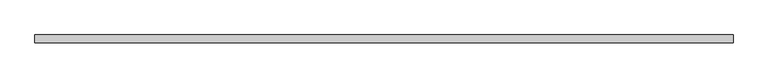
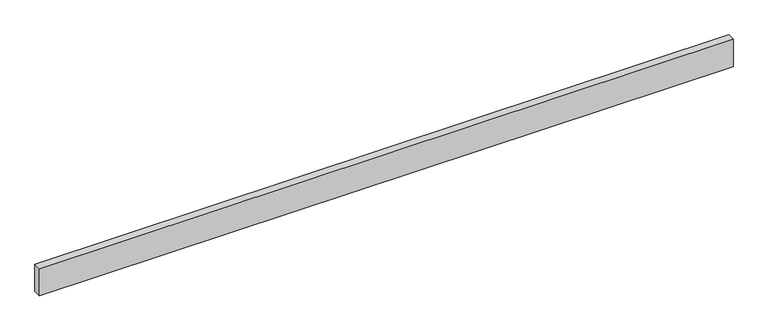
"""IFC4 building model written with IfcOpenShell, lengths in millimetres: beam geometry."""

from ifc_helpers import new_model, si_unit, frame, origin, place, context, project, spatial, polyline, outline, extrude, source, transform, mapped, element, save


def beam_645871c6(model_context):
    return source(origin(), model_context, "Body", "SweptSolid", [
        extrude(outline(polyline([(1676.4, -19.05), (-1676.4, -19.05), (-1676.4, 19.05), (1676.4, 19.05), (1676.4, -19.05)])), frame((0.0, 0.0, -69.85), z_axis=(0.0, 0.0, 1.0), x_axis=(1.0, 0.0, 0.0)), (0.0, 0.0, 1.0), 139.7),
    ])


if __name__ == "__main__":
    model = new_model("IFC4")
    model_context = context("Model", 3, world=origin())
    ifc_project = project(units=[si_unit("LENGTHUNIT", "METRE", prefix="MILLI")], contexts=[model_context])
    site = spatial("IfcSite", under=ifc_project)
    building = spatial("IfcBuilding", under=site)
    placement = place(None, origin())
    beam_shape = beam_645871c6(model_context)
    element("IfcBeam", 1, at=placement, inside=building, context=model_context, shape_type="MappedRepresentation", body=[
        mapped(beam_shape, transform((0.0, 0.0, 0.0), x_axis=(1.0, 0.0, 0.0), y_axis=(0.0, 1.0, 0.0), z_axis=(0.0, 0.0, 1.0))),
    ])
    save(model, "model.ifc")
